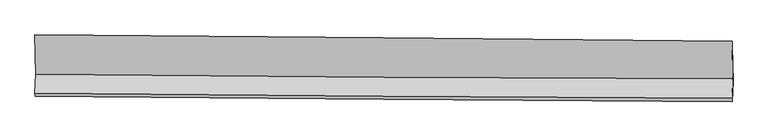
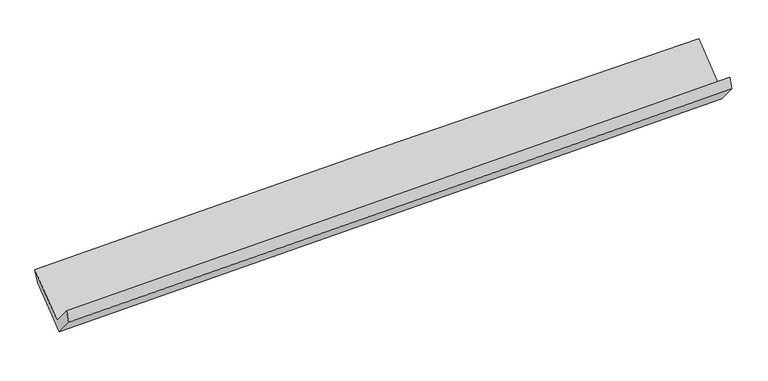
"""IFC4 building model written with IfcOpenShell, lengths in millimetres: proxy geometry."""

from ifc_helpers import new_model, si_unit, frame, origin, place, context, project, spatial, source, transform, mapped, element, save
from ifc_brep_helpers import plane_surface, spline_curve, spline_surface, advanced_brep


def generic_models_1f94addf(model_context):
    return source(origin(), model_context, "Body", "AdvancedBrep", [
        advanced_brep(
        [(-4778.3832044, -1680.9483286, 1658.2277166), (-4788.6919781, -1939.957541, 1965.1149051), (4764.4842351, -2014.9371697, 2235.8275026), (4775.1779411, -1746.2564834, 1917.4810637), (-4784.6251257, -1983.8610257, 1814.9256667), (4768.5510875, -2058.8406544, 2085.6382643), (-4774.2186269, -1722.3964586, 1505.1292499), (4779.3425187, -1787.7046134, 1764.3825971), (-4783.866842, -1201.3791282, 1944.5377107), (4770.1189365, -1289.6180664, 2184.4520078), (-4788.330437, -1143.7836323, 2111.2543217), (4765.6553415, -1232.0225705, 2351.1686188)],
        [
            (0, 1),
            (1, 2, spline_curve(3, [(-4788.6919781, -1939.957541, 1965.1149051), (-3197.573384524, -1955.102466194, 2012.324219571), (-1606.424983843, -1968.920086023, 2058.474516672), (1577.967010386, -1993.916693732, 2148.714760224), (3171.210681313, -2005.092283327, 2192.801996089), (4764.4842351, -2014.9371697, 2235.8275026)], [4, 2, 4], [0.0, 15.667995478197998, 31.35603489168478])),
            (2, 3),
            (3, 0, spline_curve(3, [(4775.1779411, -1746.2564834, 1917.4810637), (3181.711880427, -1741.248364431, 1880.186403216), (1588.339898488, -1733.296599454, 1839.918917784), (-1596.180242629, -1711.519697346, 1753.493543506), (-3187.32864331, -1697.702077517, 1707.343246927), (-4778.3832044, -1680.9483286, 1658.2277166)], [4, 2, 4], [0.0, 15.68803941348678, 31.35603489168478])),
            (1, 4),
            (4, 5, spline_curve(3, [(-4784.6251257, -1983.8610257, 1814.9256667), (-3193.506531971, -1999.005950988, 1862.134981378), (-1602.35813144, -2012.823570685, 1908.285278295), (1582.033862983, -2037.82017827, 1998.525522001), (3175.277533671, -2048.995768243, 2042.612757839), (4768.5510875, -2058.8406544, 2085.6382643)], [4, 2, 4], [0.0, 15.667980987186525, 31.3560058911236])),
            (5, 2),
            (4, 6),
            (6, 7, spline_curve(3, [(-4774.2186269, -1722.3964586, 1505.1292499), (-3183.16406581, -1739.150207517, 1554.244780227), (-1592.015665029, -1752.967827246, 1600.395076906), (1592.504476088, -1774.744729354, 1686.820451184), (3185.876458027, -1782.696494431, 1727.087936616), (4779.3425187, -1787.7046134, 1764.3825971)], [4, 2, 4], [0.0, 15.667995478197998, 31.35603489168478])),
            (7, 5),
            (6, 8),
            (8, 9, spline_curve(3, [(-4783.866842, -1201.3791282, 1944.5377107), (-3192.882917385, -1214.318402722, 1996.870240039), (-1601.734517198, -1228.136022671, 2043.020537136), (1582.926988223, -1257.546752954, 2123.007797074), (3176.440513904, -1273.142112592, 2156.828932673), (4770.1189365, -1289.6180664, 2184.4520078)], [4, 2, 4], [0.0, 15.668111722941864, 31.35626752988344])),
            (9, 7),
            (8, 10),
            (10, 11, spline_curve(3, [(-4788.330437, -1143.7836323, 2111.2543217), (-3197.346512299, -1156.722906904, 2163.586851212), (-1606.198112023, -1170.540526831, 2209.737148207), (1578.463393247, -1199.951256993, 2289.724408003), (3171.976919137, -1215.546616872, 2323.545543634), (4765.6553415, -1232.0225705, 2351.1686188)], [4, 2, 4], [0.0, 15.668278149010272, 31.356600594927727])),
            (11, 9),
            (10, 0),
            (3, 11),
        ],
        [
            spline_surface(3, 3, [[(-4778.3832044, -1680.9483286, 1658.2277166), (-3187.328643131, -1697.702077482, 1707.343246711), (-1596.180242874, -1711.519697362, 1753.493543629), (1588.339898733, -1733.296599437, 1839.918917661), (3181.711880265, -1741.248364478, 1880.186403077), (4775.1779411, -1746.2564834, 1917.4810637)], [(-4781.819462302, -1767.284732731, 1760.523446094), (-3190.743556876, -1783.502207025, 1809.003571004), (-1599.595156619, -1797.319826905, 1855.153867923), (1584.882269368, -1820.169964208, 1942.850865224), (3178.211480634, -1829.196337457, 1984.391600686), (4771.613372401, -1835.816712155, 2023.596543333)], [(-4785.255720198, -1853.621136869, 1862.819175606), (-3194.158470614, -1869.302336575, 1910.663895316), (-1603.010070357, -1883.119956456, 1956.814192235), (1581.42464001, -1907.043328986, 2045.782812805), (3174.711081102, -1917.144310469, 2088.596798296), (4768.048803799, -1925.376940945, 2129.712022967)], [(-4788.6919781, -1939.957541, 1965.1149051), (-3197.573384359, -1955.102466118, 2012.32421961), (-1606.424984102, -1968.920085999, 2058.474516528), (1577.967010645, -1993.916693756, 2148.714760368), (3171.210681471, -2005.092283448, 2192.801995905), (4764.4842351, -2014.9371697, 2235.8275026)]], [4, 4], [4, 2, 4], [0.0, 1.3179654468523467], [0.0, 15.667995478197998, 31.35603489168478]),
            spline_surface(3, 3, [[(-4788.6919781, -1939.957541, 1965.1149051), (-3197.573384359, -1955.102466118, 2012.32421961), (-1606.424984102, -1968.920085999, 2058.474516528), (1577.967010645, -1993.916693756, 2148.714760368), (3171.210681471, -2005.092283448, 2192.801995905), (4764.4842351, -2014.9371697, 2235.8275026)], [(-4787.33636062, -1954.592035899, 1915.051825645), (-3196.217766879, -1969.736961017, 1962.261140155), (-1605.069366622, -1983.554580898, 2008.411437073), (1579.322628125, -2008.551188655, 2098.651680913), (3172.566298951, -2019.726778347, 2142.73891645), (4765.83985258, -2029.571664599, 2185.764423145)], [(-4785.98074318, -1969.226530801, 1864.988746155), (-3194.862149439, -1984.371455919, 1912.198060664), (-1603.713749082, -1998.189075699, 1958.348357683), (1580.678245665, -2023.185683457, 2048.588601523), (3173.921916391, -2034.361273248, 2092.67583706), (4767.19547002, -2044.206159501, 2135.701343755)], [(-4784.6251257, -1983.8610257, 1814.9256667), (-3193.506531959, -1999.005950818, 1862.13498121), (-1602.358131602, -2012.823570599, 1908.285278228), (1582.033863145, -2037.820178356, 1998.525522068), (3175.277533871, -2048.995768148, 2042.612757605), (4768.5510875, -2058.8406544, 2085.6382643)]], [4, 4], [4, 2, 4], [0.0, 0.5135417119565715], [0.0, 15.667980987186525, 31.3560058911236]),
            spline_surface(3, 3, [[(-4784.6251257, -1983.8610257, 1814.9256667), (-3193.506531959, -1999.005950818, 1862.13498121), (-1602.358131602, -2012.823570599, 1908.285278228), (1582.033863145, -2037.820178356, 1998.525522068), (3175.277533871, -2048.995768148, 2042.612757605), (4768.5510875, -2058.8406544, 2085.6382643)], [(-4781.15629277, -1896.70616998, 1711.660194452), (-3190.059043187, -1912.387369686, 1759.504914162), (-1598.91064283, -1926.204989467, 1805.655211181), (1585.524067537, -1950.128361997, 1894.623831751), (3178.810508529, -1960.22934358, 1937.437817242), (4772.148231227, -1968.461974056, 1978.553041913)], [(-4777.68745983, -1809.55131432, 1608.394722148), (-3186.611554403, -1825.768788613, 1656.874847059), (-1595.463154046, -1839.586408394, 1703.025144077), (1589.014271941, -1862.436545696, 1790.722141378), (3182.343483207, -1871.462919046, 1832.262876841), (4775.745374973, -1878.083293744, 1871.467819487)], [(-4774.2186269, -1722.3964586, 1505.1292499), (-3183.164065631, -1739.150207482, 1554.244780011), (-1592.015665274, -1752.967827262, 1600.395077029), (1592.504476333, -1774.744729337, 1686.820451061), (3185.876457865, -1782.696494478, 1727.087936477), (4779.3425187, -1787.7046134, 1764.3825971)]], [4, 4], [4, 2, 4], [0.0, 1.3304593427845157], [0.0, 15.667995478197998, 31.35603489168478]),
            spline_surface(3, 3, [[(-4774.2186269, -1722.3964586, 1505.1292499), (-3183.164065631, -1739.150207482, 1554.244780011), (-1592.015665274, -1752.967827262, 1600.395077029), (1592.504476333, -1774.744729337, 1686.820451061), (3185.876457865, -1782.696494478, 1727.087936477), (4779.3425187, -1787.7046134, 1764.3825971)], [(-4777.434698618, -1548.724015142, 1651.598736819), (-3186.403682867, -1564.206272564, 1701.786599984), (-1595.25528251, -1578.023892345, 1747.936897002), (1589.311980256, -1602.345403947, 1832.216233099), (3182.731143227, -1612.845033913, 1870.334935172), (4776.267991303, -1621.675764417, 1904.405733989)], [(-4780.650770282, -1375.051571658, 1798.068223781), (-3189.64330005, -1389.262337621, 1849.328420001), (-1598.494899793, -1403.079957401, 1895.478717019), (1586.119484131, -1429.946078531, 1977.61201518), (3179.585828581, -1442.993573297, 2013.581933899), (4773.193463897, -1455.646915383, 2044.428870911)], [(-4783.866842, -1201.3791282, 1944.5377107), (-3192.882917286, -1214.318402703, 1996.870239973), (-1601.734517029, -1228.136022484, 2043.020536992), (1582.926988053, -1257.546753141, 2123.007797219), (3176.440513944, -1273.142112732, 2156.828932594), (4770.1189365, -1289.6180664, 2184.4520078)]], [4, 4], [4, 2, 4], [0.0, 2.23631750580864], [0.0, 15.668111722941864, 31.35626752988344]),
            spline_surface(3, 3, [[(-4783.866842, -1201.3791282, 1944.5377107), (-3192.882917286, -1214.318402703, 1996.870239973), (-1601.734517029, -1228.136022484, 2043.020536992), (1582.926988053, -1257.546753141, 2123.007797219), (3176.440513944, -1273.142112732, 2156.828932594), (4770.1189365, -1289.6180664, 2184.4520078)], [(-4785.354706983, -1182.180629567, 2000.109914366), (-3194.370782269, -1195.11990407, 2052.442443639), (-1603.222382012, -1208.937523851, 2098.592740657), (1581.439123071, -1238.348254508, 2178.580000884), (3174.952648961, -1253.943614099, 2212.40113626), (4768.631071517, -1270.419567767, 2240.024211466)], [(-4786.842572017, -1162.982130933, 2055.682118034), (-3195.858647304, -1175.921405436, 2108.014647308), (-1604.710246947, -1189.739025217, 2154.164944326), (1579.951258136, -1219.149755874, 2234.152204553), (3173.464783926, -1234.745115465, 2267.973339928), (4767.143206483, -1251.221069133, 2295.596415134)], [(-4788.330437, -1143.7836323, 2111.2543217), (-3197.346512286, -1156.722906803, 2163.586850973), (-1606.198111929, -1170.540526584, 2209.737147992), (1578.463393153, -1199.951257241, 2289.724408219), (3171.976918944, -1215.546616832, 2323.545543594), (4765.6553415, -1232.0225705, 2351.1686188)]], [4, 4], [4, 2, 4], [0.0, 0.5788762220393481], [0.0, 15.668278149010272, 31.356600594927727]),
            spline_surface(3, 3, [[(-4788.330437, -1143.7836323, 2111.2543217), (-3197.346512286, -1156.722906803, 2163.586850973), (-1606.198111929, -1170.540526584, 2209.737147992), (1578.463393153, -1199.951257241, 2289.724408219), (3171.976918944, -1215.546616832, 2323.545543594), (4765.6553415, -1232.0225705, 2351.1686188)], [(-4785.014692807, -1322.83853108, 1960.245453324), (-3194.007222575, -1337.049297043, 2011.505649544), (-1602.858822218, -1350.866916824, 2057.655946562), (1581.755561706, -1377.733037954, 2139.789244724), (3175.221906056, -1390.780532719, 2175.759163442), (4768.829541372, -1403.433874805, 2206.606100454)], [(-4781.698948593, -1501.89342982, 1809.236584976), (-3190.667932842, -1517.375687242, 1859.424448141), (-1599.519532585, -1531.193307123, 1905.574745059), (1585.04773018, -1555.514818725, 1989.854081156), (3178.466893152, -1566.014448591, 2027.972783229), (4772.003741228, -1574.845179095, 2062.043582046)], [(-4778.3832044, -1680.9483286, 1658.2277166), (-3187.328643131, -1697.702077482, 1707.343246711), (-1596.180242874, -1711.519697362, 1753.493543629), (1588.339898733, -1733.296599437, 1839.918917661), (3181.711880265, -1741.248364478, 1880.186403077), (4775.1779411, -1746.2564834, 1917.4810637)]], [4, 4], [4, 2, 4], [0.0, 2.3056264188268787], [0.0, 15.668111722941864, 31.35626752988344]),
            plane_surface(frame((4770.5550101, -1688.2299263, 2089.825009), z_axis=(0.9995704605609452, -0.005729447460099072, 0.02874139533463457), x_axis=(-0.0252978785838719, 0.3264283339405741, 0.9448833579547989))),
            plane_surface(frame((-4783.019369, -1612.0543524, 1833.1982618), z_axis=(-0.9995704605609452, 0.005729447460102821, -0.028741395334639708), x_axis=(-0.014154432057893329, 0.7643594475277152, 0.6446350029499208))),
        ],
        [
            (0, [[1, 2, 3, 4]]),
            (1, [[5, 6, 7, -2]]),
            (2, [[8, 9, 10, -6]]),
            (3, [[11, 12, 13, -9]]),
            (4, [[14, 15, 16, -12]]),
            (5, [[17, -4, 18, -15]]),
            (6, [[-16, -18, -3, -7, -10, -13]]),
            (7, [[-17, -14, -11, -8, -5, -1]]),
        ],
    ),
    ])


if __name__ == "__main__":
    model = new_model("IFC4")
    model_context = context("Model", 3, world=origin())
    ifc_project = project(units=[si_unit("LENGTHUNIT", "METRE", prefix="MILLI")], contexts=[model_context])
    site = spatial("IfcSite", under=ifc_project)
    building = spatial("IfcBuilding", under=site)
    placement = place(None, origin())
    generic_models_shape = generic_models_1f94addf(model_context)
    element("IfcBuildingElementProxy", 1, Name="Generic Models", at=placement, inside=building, context=model_context, shape_type="MappedRepresentation", body=[
        mapped(generic_models_shape, transform((0.0, 0.0, 0.0), x_axis=(1.0, 0.0, 0.0), y_axis=(0.0, 1.0, 0.0), z_axis=(0.0, 0.0, 1.0))),
    ])
    save(model, "model.ifc")
